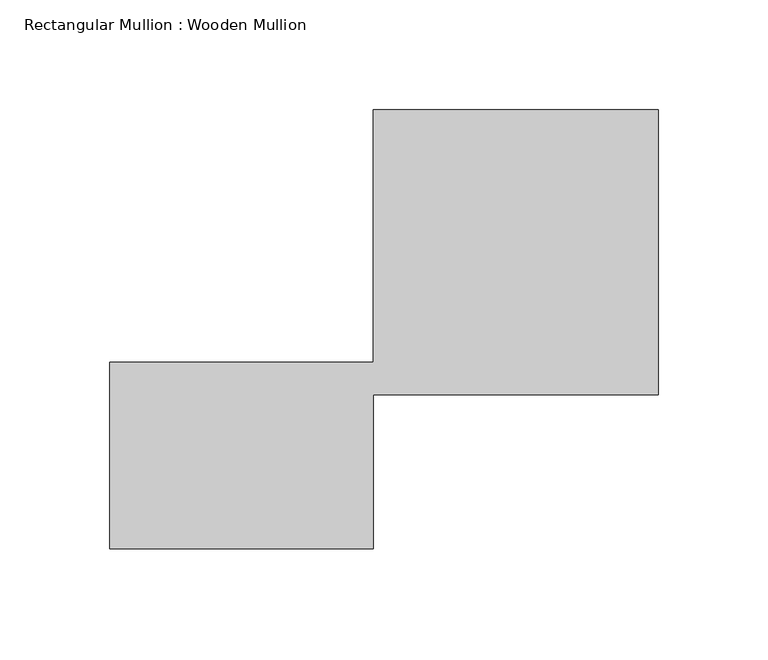
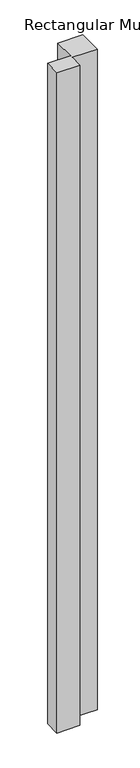
"""IFC4 building model written with IfcOpenShell, lengths in millimetres: member geometry, Rectangular Mullion : Wooden Mullion."""

from ifc_helpers import new_model, si_unit, frame, origin, place, context, project, spatial, polyline, outline, extrude, source, transform, mapped, element, save


def rectangular_mullion_wooden_mullion_535410ac(model_context):
    return source(origin(), model_context, "Body", "SweptSolid", [
        extrude(outline(polyline([(74.8100006, -26.0137344), (-45.1899994, -26.0137344), (-45.1899994, 58.9862656), (74.8100006, 58.9862656), (74.8100006, 173.9862656), (204.8100006, 173.9862656), (204.8100006, 43.9862656), (74.8100006, 43.9862656), (74.8100006, -26.0137344)])), frame((0.0, 0.0, -3653.267893), z_axis=(0.0, 0.0, 1.0), x_axis=(1.0, 0.0, 0.0)), (0.0, 0.0, 1.0), 3653.267893),
    ])


if __name__ == "__main__":
    model = new_model("IFC4")
    model_context = context("Model", 3, world=origin())
    ifc_project = project(units=[si_unit("LENGTHUNIT", "METRE", prefix="MILLI")], contexts=[model_context])
    site = spatial("IfcSite", under=ifc_project)
    building = spatial("IfcBuilding", under=site)
    placement = place(None, origin())
    rectangular_mullion_wooden_mullion_shape = rectangular_mullion_wooden_mullion_535410ac(model_context)
    element("IfcMember", 1, ObjectType="Rectangular Mullion : Wooden Mullion", at=placement, inside=building, context=model_context, shape_type="MappedRepresentation", body=[
        mapped(rectangular_mullion_wooden_mullion_shape, transform((0.0, 0.0, 0.0), x_axis=(1.0, 0.0, 0.0), y_axis=(0.0, 1.0, 0.0), z_axis=(0.0, 0.0, 1.0))),
    ])
    save(model, "model.ifc")
